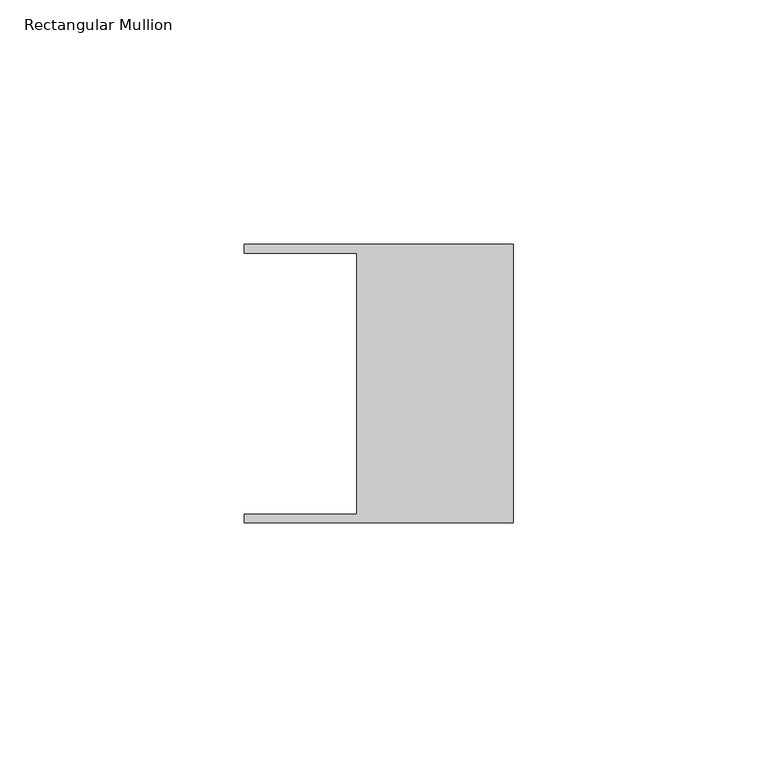
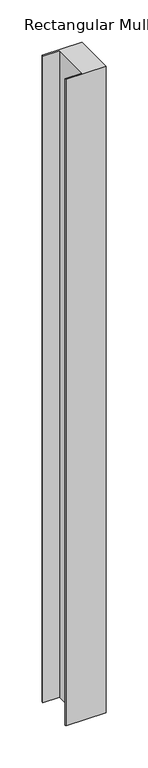
"""IFC4 building model written with IfcOpenShell, lengths in millimetres: member geometry, Rectangular Mullion."""

from ifc_helpers import new_model, si_unit, frame, origin, place, context, project, spatial, polyline, outline, extrude, source, transform, mapped, element, save


def rectangular_mullion_c3518b7e(model_context):
    return source(origin(), model_context, "Body", "SweptSolid", [
        extrude(outline(polyline([(-32.004, -26.67), (-32.004, 26.67), (-54.991, 26.67), (-54.991, 28.448), (0.0, 28.448), (0.0, -28.448), (-54.991, -28.448), (-54.991, -26.67), (-32.004, -26.67)])), frame((0.0, 0.0, -935.8043061), z_axis=(0.0, 0.0, 1.0), x_axis=(1.0, 0.0, 0.0)), (0.0, 0.0, 1.0), 935.8043061),
    ])


if __name__ == "__main__":
    model = new_model("IFC4")
    model_context = context("Model", 3, world=origin())
    ifc_project = project(units=[si_unit("LENGTHUNIT", "METRE", prefix="MILLI")], contexts=[model_context])
    site = spatial("IfcSite", under=ifc_project)
    building = spatial("IfcBuilding", under=site)
    placement = place(None, origin())
    rectangular_mullion_shape = rectangular_mullion_c3518b7e(model_context)
    element("IfcMember", 1, ObjectType="Rectangular Mullion", at=placement, inside=building, context=model_context, shape_type="MappedRepresentation", body=[
        mapped(rectangular_mullion_shape, transform((0.0, 0.0, 0.0), x_axis=(1.0, 0.0, 0.0), y_axis=(0.0, 1.0, 0.0), z_axis=(0.0, 0.0, 1.0))),
    ])
    save(model, "model.ifc")
